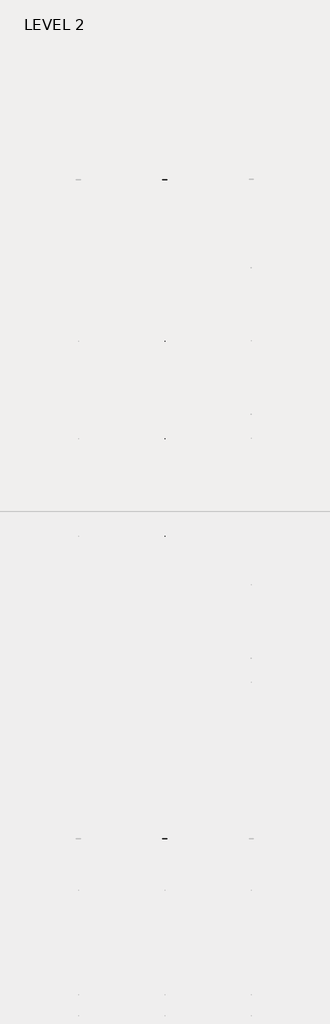
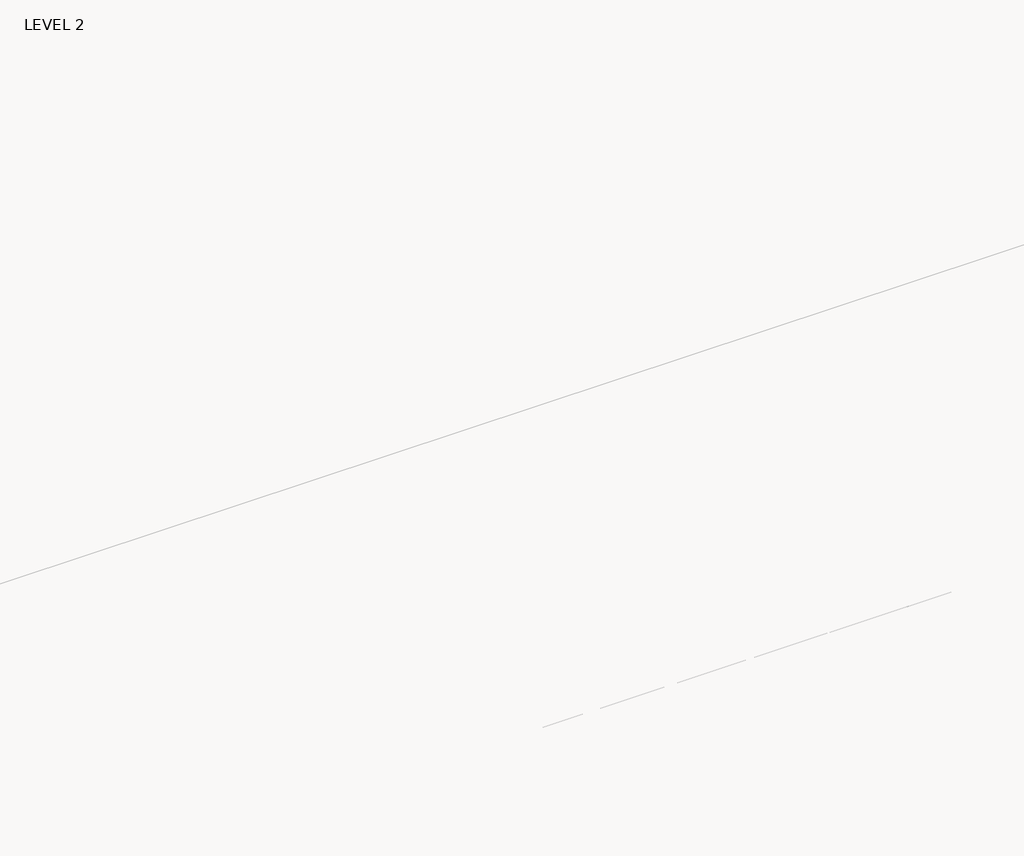
# One storey, part 30 of 67: 1 beam.
"""IFC4 building model written with IfcOpenShell, lengths in millimetres."""

from ifc_helpers import new_model, si_unit, frame, origin, place, context, project, spatial, polyline, outline, extrude, faceted_brep, element, save

model = new_model("IFC4")

# Units and contexts
model_context = context("Model", 3, world=origin())
ifc_project = project(units=[si_unit("LENGTHUNIT", "METRE", prefix="MILLI")], contexts=[model_context])

# Site, building, storey
site = spatial("IfcSite", under=ifc_project)
building = spatial("IfcBuilding", under=site)
storey = spatial("IfcBuildingStorey", under=building, Name="LEVEL 2", Elevation=6908.8)

# Beam
placement = place(None, origin())
element("IfcBeam", 1, ObjectType="K-Series Bar Joist-Angle Web : 30K7", at=placement, inside=storey, context=model_context, shape_type="SolidModel", body=[
    extrude(outline(polyline([(0.0, -9.525), (0.0, 0.0), (1596.0115821, 0.0), (1596.0115821, -9.525), (0.0, -9.525)])), frame((21757.2014942, 3035.5673013, 6301.5781723), z_axis=(0.0, -0.4555658298881594, 0.8902020976375604), x_axis=(0.0, -0.8902020976375604, -0.4555658298881594)), (0.0, 0.0, 1.0), 9.525),
    extrude(outline(polyline([(0.0, -9.525), (0.0, 0.0), (1596.011582, 0.0), (1596.011582, -9.525), (0.0, -9.525)])), frame((21747.6764942, -8185.9997119, 6276.4103561), z_axis=(0.0, 0.4515681627188582, 0.8922366246790786), x_axis=(0.0, 0.8922366246790786, -0.4515681627188582)), (0.0, 0.0, 1.0), 9.525),
    extrude(outline(polyline([(4.7625, 4.7625), (4.7625, -4.7625), (-4.7625, -4.7625), (-4.7625, 4.7625), (4.7625, 4.7625)])), frame((21752.4389942, 1612.6248109, 5578.7294189), z_axis=(0.0, 0.49866686663049065, 0.8667937217844442), x_axis=(-1.0, 0.0, 0.0)), (0.0, 0.0, 1.0), 836.2278721),
    extrude(outline(polyline([(4.7625, 4.7625001), (4.7625, -4.7624999), (-4.7625, -4.7624999), (-4.7625, 4.7625001), (4.7625, 4.7625001)])), frame((21752.4389942, -6759.8291316, 5559.9516153), z_axis=(0.0, -0.5025499334722134, 0.8645481851042623), x_axis=(-1.0, 0.0, 0.0)), (0.0, 0.0, 1.0), 836.2278721),
    extrude(outline(polyline([(0.0, 0.0), (31.75, 0.0), (31.75, -6.35), (6.35, -6.35), (6.35, -31.75), (0.0, -31.75), (0.0, 0.0)])), frame((21757.2014942, -6861.4146343, 5553.3737626), z_axis=(0.0, 0.9999974849164524, 0.002242801990768482), x_axis=(1.0, 0.0, 0.0)), (0.0, 0.0, 1.0), 8575.675),
    extrude(outline(polyline([(-9.525, 0.0), (-9.525, -31.75), (-15.875, -31.75), (-15.875, -6.35), (-41.275, -6.35), (-41.275, 0.0), (-9.525, 0.0)])), frame((21757.2014942, -6861.4146343, 5553.3737626), z_axis=(0.0, 0.9999974849164524, 0.002242801990768482), x_axis=(1.0, 0.0, 0.0)), (0.0, 0.0, 1.0), 8575.675),
    extrude(outline(polyline([(-31.75, 0.0), (0.0, 0.0), (0.0, -6.35), (-25.4, -6.35), (-25.4, -31.7500001), (-31.75, -31.7500001), (-31.75, 0.0)])), frame((21788.9514942, -8285.3776541, 6248.6818442), z_axis=(0.0, 0.9999974849164524, 0.002242801990768482), x_axis=(1.0, 0.0, 0.0)), (0.0, 0.0, 1.0), 101.6),
    extrude(outline(polyline([(-41.275, 0.0), (-41.275, -31.7500001), (-47.625, -31.7500001), (-47.625, -6.35), (-73.025, -6.35), (-73.025, 0.0), (-41.275, 0.0)])), frame((21788.9514942, -8285.3776541, 6248.6818442), z_axis=(0.0, 0.9999974849164524, 0.002242801990768482), x_axis=(1.0, 0.0, 0.0)), (0.0, 0.0, 1.0), 101.6),
    extrude(outline(polyline([(0.0, 0.0), (31.75, 0.0), (31.75, -6.35), (6.35, -6.35), (6.35, -31.75), (0.0, -31.75), (0.0, 0.0)])), frame((21747.6764942, 3033.468878, 6274.0678396), z_axis=(0.0, 0.9999974849164524, 0.002242801990768482), x_axis=(0.0, -0.002242801990768482, 0.9999974849164524)), (0.0, 0.0, 1.0), 101.6),
    extrude(outline(polyline([(0.0, 41.275), (6.35, 41.275), (6.35, 15.875), (31.75, 15.875), (31.75, 9.525), (0.0, 9.525), (0.0, 41.275)])), frame((21747.6764942, 3033.468878, 6274.0678396), z_axis=(0.0, 0.9999974849164524, 0.002242801990768482), x_axis=(0.0, -0.002242801990768482, 0.9999974849164524)), (0.0, 0.0, 1.0), 101.6),
    extrude(outline(polyline([(0.0, 0.0), (31.75, 0.0), (31.75, -6.35), (6.35, -6.35), (6.35, -31.75), (0.0, -31.75), (0.0, 0.0)])), frame((21757.2014942, -8285.520072, 6312.1816845), z_axis=(0.0, 0.9999974849164524, 0.002242801990768482), x_axis=(0.0, 0.002242801990768482, -0.9999974849164524)), (0.0, 0.0, 1.0), 11420.475),
    extrude(outline(polyline([(0.0, 9.525), (0.0, 41.275), (6.35, 41.275), (6.35, 15.875), (31.75, 15.875), (31.75, 9.525), (0.0, 9.525)])), frame((21757.2014942, -8285.520072, 6312.1816845), z_axis=(0.0, 0.9999974849164524, 0.002242801990768482), x_axis=(0.0, 0.002242801990768482, -0.9999974849164524)), (0.0, 0.0, 1.0), 11420.475),
    faceted_brep([(21752.4389942, 1612.5892064, 5594.6043789), (21752.4389942, 1612.6319318, 5575.5544269), (21747.6764942, 1612.6319318, 5575.5544269), (21747.6764942, 1612.5892064, 5594.6043789), (21752.4389942, 1611.8657527, 5594.6027564), (21752.4389942, 1204.2909757, 6330.2904972), (21752.4389942, 1185.9644773, 6330.2493944), (21752.4389942, 1186.0072027, 6311.1994423), (21752.4389942, 1193.0806404, 6311.2153066), (21752.4389942, 1600.6554174, 5575.5275658), (21747.6764942, 1600.6554174, 5575.5275658), (21747.6764942, 1581.3307512, 5610.4093122), (21747.6764942, 1585.4966644, 5612.7172494), (21747.6764942, 1206.0304927, 6297.6679046), (21747.6764942, 1201.8645795, 6295.3599674), (21747.6764942, 1193.0806404, 6311.2153066), (21747.6764942, 1186.0072027, 6311.1994423), (21747.6764942, 1185.9644773, 6330.2493944), (21747.6764942, 1204.2909757, 6330.2904972), (21747.6764942, 1611.8657527, 5594.6027564), (21734.9764942, 1201.8645795, 6295.3599674), (21734.9764942, 1581.3307512, 5610.4093122), (21734.9764942, 1585.4966644, 5612.7172494), (21734.9764942, 1206.0304927, 6297.6679046)], [[[0, 1, 2, 3]], [[1, 0, 4, 5, 6, 7, 8, 9]], [[2, 1, 9, 10]], [[3, 2, 10, 11, 12, 13, 14, 15, 16, 17, 18, 19]], [[0, 3, 19, 4]], [[9, 8, 15, 14, 20, 21, 11, 10]], [[5, 4, 19, 18]], [[7, 6, 17, 16]], [[8, 7, 16, 15]], [[6, 5, 18, 17]], [[21, 22, 12, 11]], [[20, 14, 13, 23]], [[22, 21, 20, 23]], [[12, 22, 23, 13]]]),
    extrude(outline(polyline([(775.3865375, 5573.6766465), (775.3438121, 5592.7265986), (776.0672658, 5592.7282211), (1180.3379469, 6330.2367751), (1198.6644454, 6330.2778779), (1198.7071707, 6311.2279259), (1191.633733, 6311.2120615), (787.3630519, 5573.7035075), (775.3865375, 5573.6766465)])), frame((21752.4389942, 0.0, 0.0), z_axis=(1.0, 0.0, 0.0), x_axis=(0.0, 1.0, 0.0)), (0.0, 0.0, 1.0), 4.7625),
    extrude(outline(polyline([(-4.7625, 4.7624999), (-4.7625, 0.0), (-17.4625, 0.0), (-17.4625, 4.7624999), (-4.7625, 4.7624999)])), frame((21752.4389942, 806.5310583, 5608.6715855), z_axis=(0.0, 0.4806776690728756, 0.8768973591331356), x_axis=(-1.0, 0.0, 0.0)), (0.0, 0.0, 1.0), 783.0402132),
    faceted_brep([(21752.4389942, -5922.6193419, 5577.7043557), (21752.4389942, -5922.5766165, 5558.6544036), (21747.6764942, -5922.5766165, 5558.6544036), (21747.6764942, -5922.6193419, 5577.7043557), (21752.4389942, -5923.3427955, 5577.7027331), (21752.4389942, -6330.9175726, 6313.3904739), (21752.4389942, -6349.244071, 6313.3493711), (21752.4389942, -6349.2013456, 6294.299419), (21752.4389942, -6342.1279079, 6294.3152834), (21752.4389942, -5934.5531309, 5558.6275426), (21747.6764942, -5934.5531309, 5558.6275426), (21747.6764942, -5953.877797, 5593.5092889), (21747.6764942, -5949.7118839, 5595.8172261), (21747.6764942, -6329.1780556, 6280.7678814), (21747.6764942, -6333.3439687, 6278.4599441), (21747.6764942, -6342.1279079, 6294.3152834), (21747.6764942, -6349.2013456, 6294.299419), (21747.6764942, -6349.244071, 6313.3493711), (21747.6764942, -6330.9175726, 6313.3904739), (21747.6764942, -5923.3427955, 5577.7027331), (21734.9764942, -6333.3439687, 6278.4599441), (21734.9764942, -5953.877797, 5593.5092889), (21734.9764942, -5949.7118839, 5595.8172261), (21734.9764942, -6329.1780556, 6280.7678814)], [[[0, 1, 2, 3]], [[1, 0, 4, 5, 6, 7, 8, 9]], [[2, 1, 9, 10]], [[3, 2, 10, 11, 12, 13, 14, 15, 16, 17, 18, 19]], [[0, 3, 19, 4]], [[9, 8, 15, 14, 20, 21, 11, 10]], [[5, 4, 19, 18]], [[7, 6, 17, 16]], [[8, 7, 16, 15]], [[6, 5, 18, 17]], [[21, 22, 12, 11]], [[20, 14, 13, 23]], [[22, 21, 20, 23]], [[12, 22, 23, 13]]]),
    extrude(outline(polyline([(-6759.8220107, 5556.7766233), (-6759.8647361, 5575.8265753), (-6759.1412825, 5575.8281979), (-6354.8706013, 6313.3367519), (-6336.5441029, 6313.3778547), (-6336.5013775, 6294.3279026), (-6343.5748152, 6294.3120383), (-6747.8454964, 5556.8034843), (-6759.8220107, 5556.7766233)])), frame((21752.4389942, 0.0, 0.0), z_axis=(1.0, 0.0, 0.0), x_axis=(0.0, 1.0, 0.0)), (0.0, 0.0, 1.0), 4.7625),
    extrude(outline(polyline([(-4.7625, 4.7625), (-4.7625, 0.0), (-17.4625, 0.0), (-17.4625, 4.7625), (-4.7625, 4.7625)])), frame((21752.4389942, -6728.6774899, 5591.7715623), z_axis=(0.0, 0.4806776690728756, 0.8768973591331356), x_axis=(-1.0, 0.0, 0.0)), (0.0, 0.0, 1.0), 783.0402132),
    faceted_brep([(21752.4389942, 775.3438121, 5592.7265986), (21752.4389942, 775.3865375, 5573.6766465), (21747.6764942, 775.3865375, 5573.6766465), (21747.6764942, 775.3438121, 5592.7265986), (21752.4389942, 774.6203585, 5592.724976), (21752.4389942, 367.0455815, 6328.4127168), (21752.4389942, 348.719083, 6328.371614), (21752.4389942, 348.7618084, 6309.3216619), (21752.4389942, 355.8352461, 6309.3375263), (21752.4389942, 763.4100231, 5573.6497855), (21747.6764942, 763.4100231, 5573.6497855), (21747.6764942, 744.085357, 5608.5315318), (21747.6764942, 748.2512701, 5610.839469), (21747.6764942, 368.7850984, 6295.7901242), (21747.6764942, 364.6191853, 6293.482187), (21747.6764942, 355.8352461, 6309.3375263), (21747.6764942, 348.7618084, 6309.3216619), (21747.6764942, 348.719083, 6328.371614), (21747.6764942, 367.0455815, 6328.4127168), (21747.6764942, 774.6203585, 5592.724976), (21734.9764942, 364.6191853, 6293.482187), (21734.9764942, 744.085357, 5608.5315318), (21734.9764942, 748.2512701, 5610.839469), (21734.9764942, 368.7850984, 6295.7901242)], [[[0, 1, 2, 3]], [[1, 0, 4, 5, 6, 7, 8, 9]], [[2, 1, 9, 10]], [[3, 2, 10, 11, 12, 13, 14, 15, 16, 17, 18, 19]], [[0, 3, 19, 4]], [[9, 8, 15, 14, 20, 21, 11, 10]], [[5, 4, 19, 18]], [[7, 6, 17, 16]], [[8, 7, 16, 15]], [[6, 5, 18, 17]], [[21, 22, 12, 11]], [[20, 14, 13, 23]], [[22, 21, 20, 23]], [[12, 22, 23, 13]]]),
    extrude(outline(polyline([(-61.8588567, 5571.7988661), (-61.9015821, 5590.8488182), (-61.1781284, 5590.8504408), (343.0925527, 6328.3589948), (361.4190511, 6328.4000976), (361.4617765, 6309.3501455), (354.3883388, 6309.3342811), (-49.8823423, 5571.8257271), (-61.8588567, 5571.7988661)])), frame((21752.4389942, 0.0, 0.0), z_axis=(1.0, 0.0, 0.0), x_axis=(0.0, 1.0, 0.0)), (0.0, 0.0, 1.0), 4.7625),
    extrude(outline(polyline([(-4.7625, 4.7625), (-4.7625, 0.0), (-17.4625, 0.0), (-17.4625, 4.7625), (-4.7625, 4.7625)])), frame((21752.4389942, -30.7143359, 5606.7938051), z_axis=(0.0, 0.4806776690728756, 0.8768973591331356), x_axis=(-1.0, 0.0, 0.0)), (0.0, 0.0, 1.0), 783.0402132),
    faceted_brep([(21752.4389942, -61.9015821, 5590.8488182), (21752.4389942, -61.8588567, 5571.7988661), (21747.6764942, -61.8588567, 5571.7988661), (21747.6764942, -61.9015821, 5590.8488182), (21752.4389942, -62.6250358, 5590.8471957), (21752.4389942, -470.1998128, 6326.5349364), (21752.4389942, -488.5263112, 6326.4938336), (21752.4389942, -488.4835858, 6307.4438815), (21752.4389942, -481.4101481, 6307.4597459), (21752.4389942, -73.8353711, 5571.7720051), (21747.6764942, -73.8353711, 5571.7720051), (21747.6764942, -93.1600373, 5606.6537514), (21747.6764942, -88.9941241, 5608.9616887), (21747.6764942, -468.4602958, 6293.9123439), (21747.6764942, -472.626209, 6291.6044067), (21747.6764942, -481.4101481, 6307.4597459), (21747.6764942, -488.4835858, 6307.4438815), (21747.6764942, -488.5263112, 6326.4938336), (21747.6764942, -470.1998128, 6326.5349364), (21747.6764942, -62.6250358, 5590.8471957), (21734.9764942, -472.626209, 6291.6044067), (21734.9764942, -93.1600373, 5606.6537514), (21734.9764942, -88.9941241, 5608.9616887), (21734.9764942, -468.4602958, 6293.9123439)], [[[0, 1, 2, 3]], [[1, 0, 4, 5, 6, 7, 8, 9]], [[2, 1, 9, 10]], [[3, 2, 10, 11, 12, 13, 14, 15, 16, 17, 18, 19]], [[0, 3, 19, 4]], [[9, 8, 15, 14, 20, 21, 11, 10]], [[5, 4, 19, 18]], [[7, 6, 17, 16]], [[8, 7, 16, 15]], [[6, 5, 18, 17]], [[21, 22, 12, 11]], [[20, 14, 13, 23]], [[22, 21, 20, 23]], [[12, 22, 23, 13]]]),
    extrude(outline(polyline([(-899.104251, 5569.9210858), (-899.1469764, 5588.9710379), (-898.4235227, 5588.9726604), (-494.1528416, 6326.4812144), (-475.8263431, 6326.5223172), (-475.7836178, 6307.4723651), (-482.8570555, 6307.4565008), (-887.1277366, 5569.9479468), (-899.104251, 5569.9210858)])), frame((21752.4389942, 0.0, 0.0), z_axis=(1.0, 0.0, 0.0), x_axis=(0.0, 1.0, 0.0)), (0.0, 0.0, 1.0), 4.7625),
    extrude(outline(polyline([(-4.7625, 4.7624999), (-4.7625, 0.0), (-17.4625, 0.0), (-17.4625, 4.7624999), (-4.7625, 4.7624999)])), frame((21752.4389942, -867.9597302, 5604.9160248), z_axis=(0.0, 0.4806776690728756, 0.8768973591331356), x_axis=(-1.0, 0.0, 0.0)), (0.0, 0.0, 1.0), 783.0402132),
    faceted_brep([(21752.4389942, -899.1469764, 5588.9710379), (21752.4389942, -899.104251, 5569.9210858), (21747.6764942, -899.104251, 5569.9210858), (21747.6764942, -899.1469764, 5588.9710379), (21752.4389942, -899.87043, 5588.9694153), (21752.4389942, -1307.445207, 6324.6571561), (21752.4389942, -1325.7717055, 6324.6160533), (21752.4389942, -1325.7289801, 6305.5661012), (21752.4389942, -1318.6555424, 6305.5819655), (21752.4389942, -911.0807654, 5569.8942248), (21747.6764942, -911.0807654, 5569.8942248), (21747.6764942, -930.4054315, 5604.7759711), (21747.6764942, -926.2395184, 5607.0839083), (21747.6764942, -1305.7056901, 6292.0345635), (21747.6764942, -1309.8716032, 6289.7266263), (21747.6764942, -1318.6555424, 6305.5819655), (21747.6764942, -1325.7289801, 6305.5661012), (21747.6764942, -1325.7717055, 6324.6160533), (21747.6764942, -1307.445207, 6324.6571561), (21747.6764942, -899.87043, 5588.9694153), (21734.9764942, -1309.8716032, 6289.7266263), (21734.9764942, -930.4054315, 5604.7759711), (21734.9764942, -926.2395184, 5607.0839083), (21734.9764942, -1305.7056901, 6292.0345635)], [[[0, 1, 2, 3]], [[1, 0, 4, 5, 6, 7, 8, 9]], [[2, 1, 9, 10]], [[3, 2, 10, 11, 12, 13, 14, 15, 16, 17, 18, 19]], [[0, 3, 19, 4]], [[9, 8, 15, 14, 20, 21, 11, 10]], [[5, 4, 19, 18]], [[7, 6, 17, 16]], [[8, 7, 16, 15]], [[6, 5, 18, 17]], [[21, 22, 12, 11]], [[20, 14, 13, 23]], [[22, 21, 20, 23]], [[12, 22, 23, 13]]]),
    extrude(outline(polyline([(-1736.3496452, 5568.0433054), (-1736.3923706, 5587.0932575), (-1735.6689169, 5587.0948801), (-1331.3982358, 6324.6034341), (-1313.0717374, 6324.6445369), (-1313.029012, 6305.5945848), (-1320.1024497, 6305.5787204), (-1724.3731308, 5568.0701664), (-1736.3496452, 5568.0433054)])), frame((21752.4389942, 0.0, 0.0), z_axis=(1.0, 0.0, 0.0), x_axis=(0.0, 1.0, 0.0)), (0.0, 0.0, 1.0), 4.7625),
    extrude(outline(polyline([(-4.7625, 4.7625), (-4.7625, 0.0), (-17.4625, 0.0), (-17.4625, 4.7625), (-4.7625, 4.7625)])), frame((21752.4389942, -1705.2051244, 5603.0382444), z_axis=(0.0, 0.4806776690728756, 0.8768973591331356), x_axis=(-1.0, 0.0, 0.0)), (0.0, 0.0, 1.0), 783.0402132),
    faceted_brep([(21752.4389942, -1736.3923706, 5587.0932575), (21752.4389942, -1736.3496452, 5568.0433054), (21747.6764942, -1736.3496452, 5568.0433054), (21747.6764942, -1736.3923706, 5587.0932575), (21752.4389942, -1737.1158243, 5587.0916349), (21752.4389942, -2144.6906013, 6322.7793757), (21752.4389942, -2163.0170997, 6322.7382729), (21752.4389942, -2162.9743743, 6303.6883208), (21752.4389942, -2155.9009366, 6303.7041852), (21752.4389942, -1748.3261596, 5568.0164444), (21747.6764942, -1748.3261596, 5568.0164444), (21747.6764942, -1767.6508258, 5602.8981907), (21747.6764942, -1763.4849127, 5605.2061279), (21747.6764942, -2142.9510844, 6290.1567832), (21747.6764942, -2147.1169975, 6287.8488459), (21747.6764942, -2155.9009366, 6303.7041852), (21747.6764942, -2162.9743743, 6303.6883208), (21747.6764942, -2163.0170997, 6322.7382729), (21747.6764942, -2144.6906013, 6322.7793757), (21747.6764942, -1737.1158243, 5587.0916349), (21734.9764942, -2147.1169975, 6287.8488459), (21734.9764942, -1767.6508258, 5602.8981907), (21734.9764942, -1763.4849127, 5605.2061279), (21734.9764942, -2142.9510844, 6290.1567832)], [[[0, 1, 2, 3]], [[1, 0, 4, 5, 6, 7, 8, 9]], [[2, 1, 9, 10]], [[3, 2, 10, 11, 12, 13, 14, 15, 16, 17, 18, 19]], [[0, 3, 19, 4]], [[9, 8, 15, 14, 20, 21, 11, 10]], [[5, 4, 19, 18]], [[7, 6, 17, 16]], [[8, 7, 16, 15]], [[6, 5, 18, 17]], [[21, 22, 12, 11]], [[20, 14, 13, 23]], [[22, 21, 20, 23]], [[12, 22, 23, 13]]]),
    extrude(outline(polyline([(-2573.5950395, 5566.1655251), (-2573.6377649, 5585.2154771), (-2572.9143112, 5585.2170997), (-2168.6436301, 6322.7256537), (-2150.3171317, 6322.7667565), (-2150.2744063, 6303.7168044), (-2157.347844, 6303.7009401), (-2561.6185251, 5566.1923861), (-2573.5950395, 5566.1655251)])), frame((21752.4389942, 0.0, 0.0), z_axis=(1.0, 0.0, 0.0), x_axis=(0.0, 1.0, 0.0)), (0.0, 0.0, 1.0), 4.7625),
    extrude(outline(polyline([(-4.7625, 4.7624999), (-4.7625, 0.0), (-17.4625, 0.0), (-17.4625, 4.7624999), (-4.7625, 4.7624999)])), frame((21752.4389942, -2542.4505187, 5601.1604641), z_axis=(0.0, 0.4806776690728756, 0.8768973591331356), x_axis=(-1.0, 0.0, 0.0)), (0.0, 0.0, 1.0), 783.0402132),
    faceted_brep([(21752.4389942, -2573.6377649, 5585.2154771), (21752.4389942, -2573.5950395, 5566.1655251), (21747.6764942, -2573.5950395, 5566.1655251), (21747.6764942, -2573.6377649, 5585.2154771), (21752.4389942, -2574.3612185, 5585.2138546), (21752.4389942, -2981.9359955, 6320.9015954), (21752.4389942, -3000.262494, 6320.8604926), (21752.4389942, -3000.2197686, 6301.8105405), (21752.4389942, -2993.1463309, 6301.8264048), (21752.4389942, -2585.5715539, 5566.138664), (21747.6764942, -2585.5715539, 5566.138664), (21747.6764942, -2604.89622, 5601.0204104), (21747.6764942, -2600.7303069, 5603.3283476), (21747.6764942, -2980.1964786, 6288.2790028), (21747.6764942, -2984.3623917, 6285.9710656), (21747.6764942, -2993.1463309, 6301.8264048), (21747.6764942, -3000.2197686, 6301.8105405), (21747.6764942, -3000.262494, 6320.8604926), (21747.6764942, -2981.9359955, 6320.9015954), (21747.6764942, -2574.3612185, 5585.2138546), (21734.9764942, -2984.3623917, 6285.9710656), (21734.9764942, -2604.89622, 5601.0204104), (21734.9764942, -2600.7303069, 5603.3283476), (21734.9764942, -2980.1964786, 6288.2790028)], [[[0, 1, 2, 3]], [[1, 0, 4, 5, 6, 7, 8, 9]], [[2, 1, 9, 10]], [[3, 2, 10, 11, 12, 13, 14, 15, 16, 17, 18, 19]], [[0, 3, 19, 4]], [[9, 8, 15, 14, 20, 21, 11, 10]], [[5, 4, 19, 18]], [[7, 6, 17, 16]], [[8, 7, 16, 15]], [[6, 5, 18, 17]], [[21, 22, 12, 11]], [[20, 14, 13, 23]], [[22, 21, 20, 23]], [[12, 22, 23, 13]]]),
    extrude(outline(polyline([(-3410.8404337, 5564.2877447), (-3410.8831591, 5583.3376968), (-3410.1597054, 5583.3393193), (-3005.8890243, 6320.8478733), (-2987.5625259, 6320.8889761), (-2987.5198005, 6301.8390241), (-2994.5932382, 6301.8231597), (-3398.8639193, 5564.3146057), (-3410.8404337, 5564.2877447)])), frame((21752.4389942, 0.0, 0.0), z_axis=(1.0, 0.0, 0.0), x_axis=(0.0, 1.0, 0.0)), (0.0, 0.0, 1.0), 4.7625),
    extrude(outline(polyline([(-4.7625, 4.7625), (-4.7625, 0.0), (-17.4625, 0.0), (-17.4625, 4.7625), (-4.7625, 4.7625)])), frame((21752.4389942, -3379.6959129, 5599.2826837), z_axis=(0.0, 0.4806776690728756, 0.8768973591331356), x_axis=(-1.0, 0.0, 0.0)), (0.0, 0.0, 1.0), 783.0402132),
    faceted_brep([(21752.4389942, -3410.8831591, 5583.3376968), (21752.4389942, -3410.8404337, 5564.2877447), (21747.6764942, -3410.8404337, 5564.2877447), (21747.6764942, -3410.8831591, 5583.3376968), (21752.4389942, -3411.6066128, 5583.3360742), (21752.4389942, -3819.1813898, 6319.023815), (21752.4389942, -3837.5078882, 6318.9827122), (21752.4389942, -3837.4651628, 6299.9327601), (21752.4389942, -3830.3917251, 6299.9486245), (21752.4389942, -3422.8169481, 5564.2608837), (21747.6764942, -3422.8169481, 5564.2608837), (21747.6764942, -3442.1416143, 5599.14263), (21747.6764942, -3437.9757012, 5601.4505672), (21747.6764942, -3817.4418729, 6286.4012224), (21747.6764942, -3821.607786, 6284.0932852), (21747.6764942, -3830.3917251, 6299.9486245), (21747.6764942, -3837.4651628, 6299.9327601), (21747.6764942, -3837.5078882, 6318.9827122), (21747.6764942, -3819.1813898, 6319.023815), (21747.6764942, -3411.6066128, 5583.3360742), (21734.9764942, -3821.607786, 6284.0932852), (21734.9764942, -3442.1416143, 5599.14263), (21734.9764942, -3437.9757012, 5601.4505672), (21734.9764942, -3817.4418729, 6286.4012224)], [[[0, 1, 2, 3]], [[1, 0, 4, 5, 6, 7, 8, 9]], [[2, 1, 9, 10]], [[3, 2, 10, 11, 12, 13, 14, 15, 16, 17, 18, 19]], [[0, 3, 19, 4]], [[9, 8, 15, 14, 20, 21, 11, 10]], [[5, 4, 19, 18]], [[7, 6, 17, 16]], [[8, 7, 16, 15]], [[6, 5, 18, 17]], [[21, 22, 12, 11]], [[20, 14, 13, 23]], [[22, 21, 20, 23]], [[12, 22, 23, 13]]]),
    extrude(outline(polyline([(-4248.085828, 5562.4099643), (-4248.1285534, 5581.4599164), (-4247.4050997, 5581.461539), (-3843.1344186, 6318.970093), (-3824.8079202, 6319.0111958), (-3824.7651948, 6299.9612437), (-3831.8386325, 6299.9453793), (-4236.1093136, 5562.4368254), (-4248.085828, 5562.4099643)])), frame((21752.4389942, 0.0, 0.0), z_axis=(1.0, 0.0, 0.0), x_axis=(0.0, 1.0, 0.0)), (0.0, 0.0, 1.0), 4.7625),
    extrude(outline(polyline([(-4.7625, 4.7624999), (-4.7625, 0.0), (-17.4625, 0.0), (-17.4625, 4.7624999), (-4.7625, 4.7624999)])), frame((21752.4389942, -4216.9413072, 5597.4049033), z_axis=(0.0, 0.4806776690728756, 0.8768973591331356), x_axis=(-1.0, 0.0, 0.0)), (0.0, 0.0, 1.0), 783.0402132),
    faceted_brep([(21752.4389942, -4248.1285534, 5581.4599164), (21752.4389942, -4248.085828, 5562.4099643), (21747.6764942, -4248.085828, 5562.4099643), (21747.6764942, -4248.1285534, 5581.4599164), (21752.4389942, -4248.852007, 5581.4582939), (21752.4389942, -4656.4267841, 6317.1460346), (21752.4389942, -4674.7532825, 6317.1049318), (21752.4389942, -4674.7105571, 6298.0549797), (21752.4389942, -4667.6371194, 6298.0708441), (21752.4389942, -4260.0623424, 5562.3831033), (21747.6764942, -4260.0623424, 5562.3831033), (21747.6764942, -4279.3870085, 5597.2648496), (21747.6764942, -4275.2210954, 5599.5727869), (21747.6764942, -4654.6872671, 6284.5234421), (21747.6764942, -4658.8531802, 6282.2155049), (21747.6764942, -4667.6371194, 6298.0708441), (21747.6764942, -4674.7105571, 6298.0549797), (21747.6764942, -4674.7532825, 6317.1049318), (21747.6764942, -4656.4267841, 6317.1460346), (21747.6764942, -4248.852007, 5581.4582939), (21734.9764942, -4658.8531802, 6282.2155049), (21734.9764942, -4279.3870085, 5597.2648496), (21734.9764942, -4275.2210954, 5599.5727869), (21734.9764942, -4654.6872671, 6284.5234421)], [[[0, 1, 2, 3]], [[1, 0, 4, 5, 6, 7, 8, 9]], [[2, 1, 9, 10]], [[3, 2, 10, 11, 12, 13, 14, 15, 16, 17, 18, 19]], [[0, 3, 19, 4]], [[9, 8, 15, 14, 20, 21, 11, 10]], [[5, 4, 19, 18]], [[7, 6, 17, 16]], [[8, 7, 16, 15]], [[6, 5, 18, 17]], [[21, 22, 12, 11]], [[20, 14, 13, 23]], [[22, 21, 20, 23]], [[12, 22, 23, 13]]]),
    extrude(outline(polyline([(-5085.3312222, 5560.532184), (-5085.3739476, 5579.5821361), (-5084.6504939, 5579.5837586), (-4680.3798128, 6317.0923126), (-4662.0533144, 6317.1334154), (-4662.010589, 6298.0834633), (-4669.0840267, 6298.067599), (-5073.3547079, 5560.559045), (-5085.3312222, 5560.532184)])), frame((21752.4389942, 0.0, 0.0), z_axis=(1.0, 0.0, 0.0), x_axis=(0.0, 1.0, 0.0)), (0.0, 0.0, 1.0), 4.7625),
    extrude(outline(polyline([(-4.7625, 4.7625), (-4.7625, 0.0), (-17.4625, 0.0), (-17.4625, 4.7625), (-4.7625, 4.7625)])), frame((21752.4389942, -5054.1867014, 5595.527123), z_axis=(0.0, 0.4806776690728756, 0.8768973591331356), x_axis=(-1.0, 0.0, 0.0)), (0.0, 0.0, 1.0), 783.0402132),
    faceted_brep([(21752.4389942, -5085.3739476, 5579.5821361), (21752.4389942, -5085.3312222, 5560.532184), (21747.6764942, -5085.3312222, 5560.532184), (21747.6764942, -5085.3739476, 5579.5821361), (21752.4389942, -5086.0974013, 5579.5805135), (21752.4389942, -5493.6721783, 6315.2682543), (21752.4389942, -5511.9986767, 6315.2271515), (21752.4389942, -5511.9559513, 6296.1771994), (21752.4389942, -5504.8825136, 6296.1930637), (21752.4389942, -5097.3077366, 5560.505323), (21747.6764942, -5097.3077366, 5560.505323), (21747.6764942, -5116.6324028, 5595.3870693), (21747.6764942, -5112.4664897, 5597.6950065), (21747.6764942, -5491.9326614, 6282.6456617), (21747.6764942, -5496.0985745, 6280.3377245), (21747.6764942, -5504.8825136, 6296.1930637), (21747.6764942, -5511.9559513, 6296.1771994), (21747.6764942, -5511.9986767, 6315.2271515), (21747.6764942, -5493.6721783, 6315.2682543), (21747.6764942, -5086.0974013, 5579.5805135), (21734.9764942, -5496.0985745, 6280.3377245), (21734.9764942, -5116.6324028, 5595.3870693), (21734.9764942, -5112.4664897, 5597.6950065), (21734.9764942, -5491.9326614, 6282.6456617)], [[[0, 1, 2, 3]], [[1, 0, 4, 5, 6, 7, 8, 9]], [[2, 1, 9, 10]], [[3, 2, 10, 11, 12, 13, 14, 15, 16, 17, 18, 19]], [[0, 3, 19, 4]], [[9, 8, 15, 14, 20, 21, 11, 10]], [[5, 4, 19, 18]], [[7, 6, 17, 16]], [[8, 7, 16, 15]], [[6, 5, 18, 17]], [[21, 22, 12, 11]], [[20, 14, 13, 23]], [[22, 21, 20, 23]], [[12, 22, 23, 13]]]),
    extrude(outline(polyline([(-5922.5766165, 5558.6544036), (-5922.6193419, 5577.7043557), (-5921.8958882, 5577.7059783), (-5517.6252071, 6315.2145323), (-5499.2987087, 6315.2556351), (-5499.2559833, 6296.205683), (-5506.329421, 6296.1898186), (-5910.6001021, 5558.6812646), (-5922.5766165, 5558.6544036)])), frame((21752.4389942, 0.0, 0.0), z_axis=(1.0, 0.0, 0.0), x_axis=(0.0, 1.0, 0.0)), (0.0, 0.0, 1.0), 4.7625),
    extrude(outline(polyline([(-4.7625, 4.7624999), (-4.7625, 0.0), (-17.4625, 0.0), (-17.4625, 4.7624999), (-4.7625, 4.7624999)])), frame((21752.4389942, -5891.4320957, 5593.6493426), z_axis=(0.0, 0.4806776690728756, 0.8768973591331356), x_axis=(-1.0, 0.0, 0.0)), (0.0, 0.0, 1.0), 783.0402132),
])

save(model, "model.ifc")
